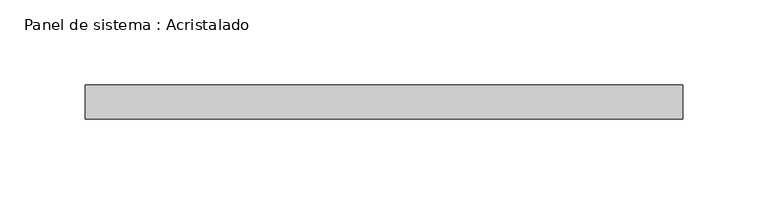
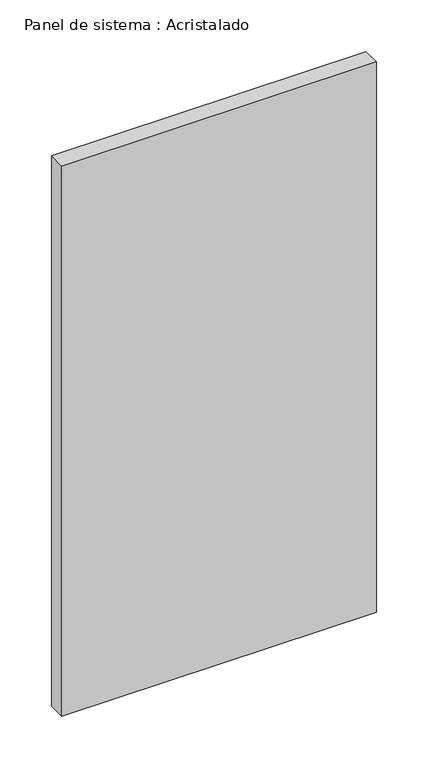
"""IFC4 building model written with IfcOpenShell, lengths in millimetres: plate geometry, Panel de sistema : Acristalado."""

from ifc_helpers import new_model, si_unit, origin, origin_with_axes, place, context, project, spatial, polyline, outline, extrude, source, transform, mapped, element, save


def panel_de_sistema_acristalado_98421b37(model_context):
    return source(origin(), model_context, "Body", "SweptSolid", [
        extrude(outline(polyline([(175.8333333, -10.0), (-175.8333333, -10.0), (-175.8333333, 10.0), (175.8333333, 10.0), (175.8333333, -10.0)])), origin_with_axes(), (0.0, 0.0, 1.0), 650.0),
    ])


if __name__ == "__main__":
    model = new_model("IFC4")
    model_context = context("Model", 3, world=origin())
    ifc_project = project(units=[si_unit("LENGTHUNIT", "METRE", prefix="MILLI")], contexts=[model_context])
    site = spatial("IfcSite", under=ifc_project)
    building = spatial("IfcBuilding", under=site)
    placement = place(None, origin())
    panel_de_sistema_acristalado_shape = panel_de_sistema_acristalado_98421b37(model_context)
    element("IfcPlate", 1, ObjectType="Panel de sistema : Acristalado", at=placement, inside=building, context=model_context, shape_type="MappedRepresentation", body=[
        mapped(panel_de_sistema_acristalado_shape, transform((0.0, 0.0, 0.0), x_axis=(1.0, 0.0, 0.0), y_axis=(0.0, 1.0, 0.0), z_axis=(0.0, 0.0, 1.0))),
    ])
    save(model, "model.ifc")
